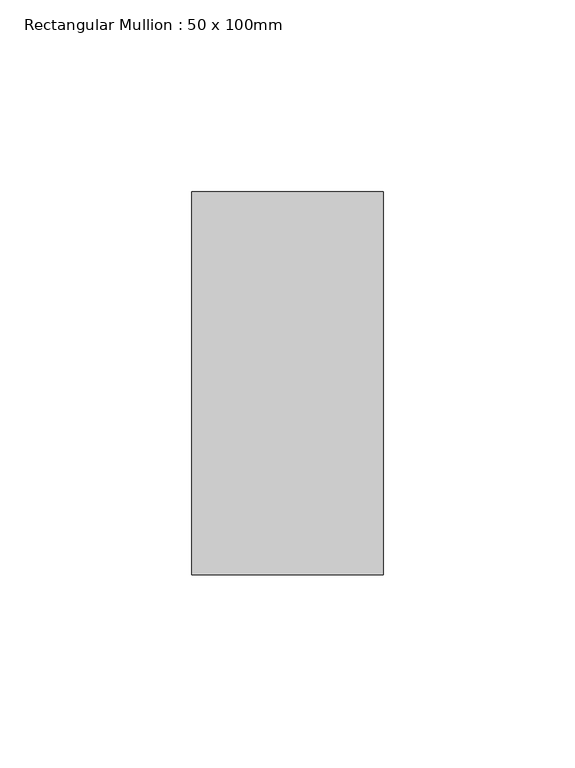
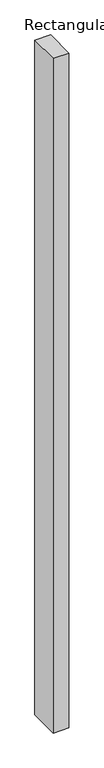
"""IFC4 building model written with IfcOpenShell, lengths in millimetres: member geometry, Rectangular Mullion : 50 x 100mm."""

from ifc_helpers import new_model, si_unit, frame, origin, place, context, project, spatial, polyline, outline, extrude, source, transform, mapped, element, save


def rectangular_mullion_50_x_100mm_52beabfb(model_context):
    return source(origin(), model_context, "Body", "SweptSolid", [
        extrude(outline(polyline([(25.0, 50.0), (25.0, -50.0), (-25.0, -50.0), (-25.0, 50.0), (25.0, 50.0)])), frame((0.0, 0.0, -2258.3333333), z_axis=(0.0, 0.0, 1.0), x_axis=(1.0, 0.0, 0.0)), (0.0, 0.0, 1.0), 2258.3333333),
    ])


if __name__ == "__main__":
    model = new_model("IFC4")
    model_context = context("Model", 3, world=origin())
    ifc_project = project(units=[si_unit("LENGTHUNIT", "METRE", prefix="MILLI")], contexts=[model_context])
    site = spatial("IfcSite", under=ifc_project)
    building = spatial("IfcBuilding", under=site)
    placement = place(None, origin())
    rectangular_mullion_50_x_100mm_shape = rectangular_mullion_50_x_100mm_52beabfb(model_context)
    element("IfcMember", 1, ObjectType="Rectangular Mullion : 50 x 100mm", at=placement, inside=building, context=model_context, shape_type="MappedRepresentation", body=[
        mapped(rectangular_mullion_50_x_100mm_shape, transform((0.0, 0.0, 0.0), x_axis=(1.0, 0.0, 0.0), y_axis=(0.0, 1.0, 0.0), z_axis=(0.0, 0.0, 1.0))),
    ])
    save(model, "model.ifc")
